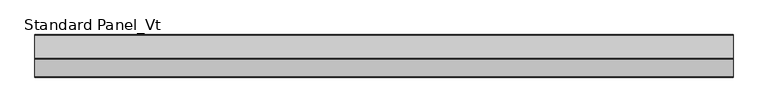
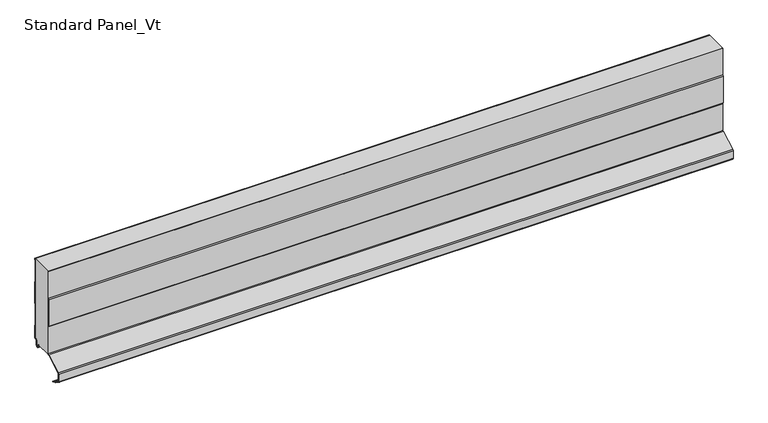
"""IFC4 building model written with IfcOpenShell, lengths in millimetres: proxy geometry, Standard Panel_Vt."""

from ifc_helpers import new_model, si_unit, point, frame, frame_2d, origin, place, context, project, spatial, polyline, circle_curve, trimmed, segment, composite_curve, outline, extrude, source, transform, mapped, element, save


def standard_panel_vt_d4fafed3(model_context):
    return source(origin(), model_context, "Body", "SweptSolid", [
        extrude(outline(composite_curve([segment(polyline([(-50.0, 32.543601), (-50.0, 93.6817477), (-50.9683897, 96.0633811), (-50.9683897, 156.1675713), (-50.0, 158.5492046), (-50.0, 219.2), (-49.2, 219.2), (-49.2, 158.3927799), (-50.1683897, 156.0111465), (-50.1683897, 96.2198058), (-49.2, 93.8381725), (-49.2, 32.543601)]), True, "CONTINUOUS"), segment(trimmed(circle_curve(frame_2d((-51.75, 32.543601)), 2.55), [point((-49.2, 32.543601))], [point((-50.5528475, 30.2920847))], False, "CARTESIAN"), True, "CONTINUOUS"), segment(polyline([(-50.5528475, 30.2920847), (-86.4808064, 11.1888501)]), True, "CONTINUOUS"), segment(trimmed(circle_curve(frame_2d((-85.5183897, 9.3788075)), 2.05), [point((-86.4808064, 11.1888501))], [point((-87.5683897, 9.3788075))], True, "CARTESIAN"), True, "CONTINUOUS"), segment(polyline([(-87.5683897, 9.3788075), (-87.5683897, -7.362)]), True, "CONTINUOUS"), segment(trimmed(circle_curve(frame_2d((-85.5183897, -7.362)), 2.05), [point((-87.5683897, -7.362))], [point((-86.4808064, -9.1720426))], True, "CARTESIAN"), True, "CONTINUOUS"), segment(polyline([(-86.4808064, -9.1720426), (-77.1800551, -14.1173397), (-74.9723908, -16.438449), (-71.7360251, -17.0119818), (-65.8533964, -20.139831), (-66.2289737, -20.846189), (-72.000038, -17.7776597), (-75.3708693, -17.1802976), (-77.6702585, -14.76275), (-86.8563836, -9.8784006)]), True, "CONTINUOUS"), segment(trimmed(circle_curve(frame_2d((-85.5183897, -7.362)), 2.85), [point((-86.8563836, -9.8784006))], [point((-88.3683897, -7.362))], False, "CARTESIAN"), True, "CONTINUOUS"), segment(polyline([(-88.3683897, -7.362), (-88.3683897, 9.3788075)]), True, "CONTINUOUS"), segment(trimmed(circle_curve(frame_2d((-85.5183897, 9.3788075)), 2.85), [point((-88.3683897, 9.3788075))], [point((-86.8563836, 11.8952082))], False, "CARTESIAN"), True, "CONTINUOUS"), segment(polyline([(-86.8563836, 11.8952082), (-50.9284248, 30.9984427)]), True, "CONTINUOUS"), segment(trimmed(circle_curve(frame_2d((-51.75, 32.543601)), 1.75), [point((-50.9284248, 30.9984427))], [point((-50.0, 32.543601))], True, "CARTESIAN"), True, "CONTINUOUS")], self_intersect=False)), frame((-723.9042608, 0.0, 0.0), z_axis=(1.0, 0.0, 0.0), x_axis=(0.0, 1.0, 0.0)), (0.0, 0.0, 1.0), 1447.8085217),
        extrude(outline(composite_curve([segment(polyline([(-0.8, 216.0956151), (-0.8, 219.2), (0.0, 219.2), (0.0, 215.8812557), (-1.0, 214.1492049), (-1.0, 168.1133065), (0.013703, 166.3812557), (0.013703, 116.8875118), (-0.986297, 115.1130103), (-0.986297, 69.1133065), (0.013703, 67.3812557), (0.013703, 40.153601)]), True, "CONTINUOUS"), segment(trimmed(circle_curve(frame_2d((-2.036297, 40.153601)), 2.05), [point((0.013703, 40.153601))], [point((-2.036297, 38.103601))], False, "CARTESIAN"), True, "CONTINUOUS"), segment(polyline([(-2.036297, 38.103601), (-3.436297, 38.103601)]), True, "CONTINUOUS"), segment(trimmed(circle_curve(frame_2d((-3.436297, 36.153601)), 1.95), [point((-3.436297, 38.103601))], [point((-5.386297, 36.153601))], True, "CARTESIAN"), True, "CONTINUOUS"), segment(polyline([(-5.386297, 36.153601), (-5.386297, 26.353601)]), True, "CONTINUOUS"), segment(trimmed(circle_curve(frame_2d((-9.036297, 26.353601)), 3.65), [point((-5.386297, 26.353601))], [point((-12.5927478, 25.5325297))], False, "CARTESIAN"), True, "CONTINUOUS"), segment(polyline([(-12.5927478, 25.5325297), (-13.8494131, 30.9757453), (-13.0699171, 31.1557062), (-11.8132517, 25.7124905)]), True, "CONTINUOUS"), segment(trimmed(circle_curve(frame_2d((-9.036297, 26.353601)), 2.85), [point((-11.8132517, 25.7124905))], [point((-6.186297, 26.353601))], True, "CARTESIAN"), True, "CONTINUOUS"), segment(polyline([(-6.186297, 26.353601), (-6.186297, 36.153601)]), True, "CONTINUOUS"), segment(trimmed(circle_curve(frame_2d((-3.436297, 36.153601)), 2.75), [point((-6.186297, 36.153601))], [point((-3.436297, 38.903601))], False, "CARTESIAN"), True, "CONTINUOUS"), segment(polyline([(-3.436297, 38.903601), (-2.036297, 38.903601)]), True, "CONTINUOUS"), segment(trimmed(circle_curve(frame_2d((-2.036297, 40.153601)), 1.25), [point((-2.036297, 38.903601))], [point((-0.786297, 40.153601))], True, "CARTESIAN"), True, "CONTINUOUS"), segment(polyline([(-0.786297, 40.153601), (-0.786297, 67.1668964), (-1.786297, 68.8989472), (-1.786297, 115.3229083), (-0.786297, 117.0974098), (-0.786297, 166.1668964), (-1.8, 167.8989472), (-1.8, 214.3635643), (-0.8, 216.0956151)]), True, "CONTINUOUS")], self_intersect=False)), frame((-723.9042608, 0.0, 0.0), z_axis=(1.0, 0.0, 0.0), x_axis=(0.0, 1.0, 0.0)), (0.0, 0.0, 1.0), 1447.8085217),
        extrude(outline(composite_curve([segment(polyline([(-49.2, 32.543601), (-49.2, 93.8381725), (-50.1683897, 96.2198058), (-50.1683897, 156.0111465), (-49.2, 158.3927799), (-49.2, 219.2), (-0.8, 219.2), (-0.8, 216.0956151), (-1.8, 214.3635643), (-1.8, 167.8989472), (-0.786297, 166.1668964), (-0.786297, 117.0974098), (-1.786297, 115.3229083), (-1.786297, 68.8989472), (-0.786297, 67.1668964), (-0.786297, 40.153601)]), True, "CONTINUOUS"), segment(trimmed(circle_curve(frame_2d((-2.036297, 40.153601)), 1.25), [point((-0.786297, 40.153601))], [point((-2.036297, 38.903601))], False, "CARTESIAN"), True, "CONTINUOUS"), segment(polyline([(-2.036297, 38.903601), (-3.436297, 38.903601)]), True, "CONTINUOUS"), segment(trimmed(circle_curve(frame_2d((-3.436297, 36.153601)), 2.75), [point((-3.436297, 38.903601))], [point((-6.186297, 36.153601))], True, "CARTESIAN"), True, "CONTINUOUS"), segment(polyline([(-6.186297, 36.153601), (-6.186297, 26.353601)]), True, "CONTINUOUS"), segment(trimmed(circle_curve(frame_2d((-9.036297, 26.353601)), 2.85), [point((-6.186297, 26.353601))], [point((-11.8132517, 25.7124905))], False, "CARTESIAN"), True, "CONTINUOUS"), segment(polyline([(-11.8132517, 25.7124905), (-13.0699171, 31.1557062), (-49.6107833, 31.1557062)]), True, "CONTINUOUS"), segment(trimmed(circle_curve(frame_2d((-51.75, 32.543601)), 2.55), [point((-49.6107833, 31.1557062))], [point((-49.2, 32.543601))], True, "CARTESIAN"), True, "CONTINUOUS")], self_intersect=False)), frame((-723.9042608, 0.0, 0.0), z_axis=(1.0, 0.0, 0.0), x_axis=(0.0, 1.0, 0.0)), (0.0, 0.0, 1.0), 1447.8085217),
    ])


if __name__ == "__main__":
    model = new_model("IFC4")
    model_context = context("Model", 3, world=origin())
    ifc_project = project(units=[si_unit("LENGTHUNIT", "METRE", prefix="MILLI")], contexts=[model_context])
    site = spatial("IfcSite", under=ifc_project)
    building = spatial("IfcBuilding", under=site)
    placement = place(None, origin())
    standard_panel_vt_shape = standard_panel_vt_d4fafed3(model_context)
    element("IfcBuildingElementProxy", 1, Name="Standard Panel_Vt", ObjectType="Standard Panel_Vt", at=placement, inside=building, context=model_context, shape_type="MappedRepresentation", body=[
        mapped(standard_panel_vt_shape, transform((0.0, 0.0, 0.0), x_axis=(1.0, 0.0, 0.0), y_axis=(0.0, 1.0, 0.0), z_axis=(0.0, 0.0, 1.0))),
    ])
    save(model, "model.ifc")
